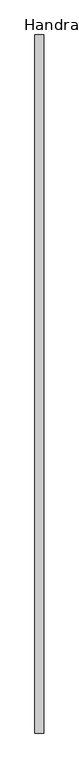
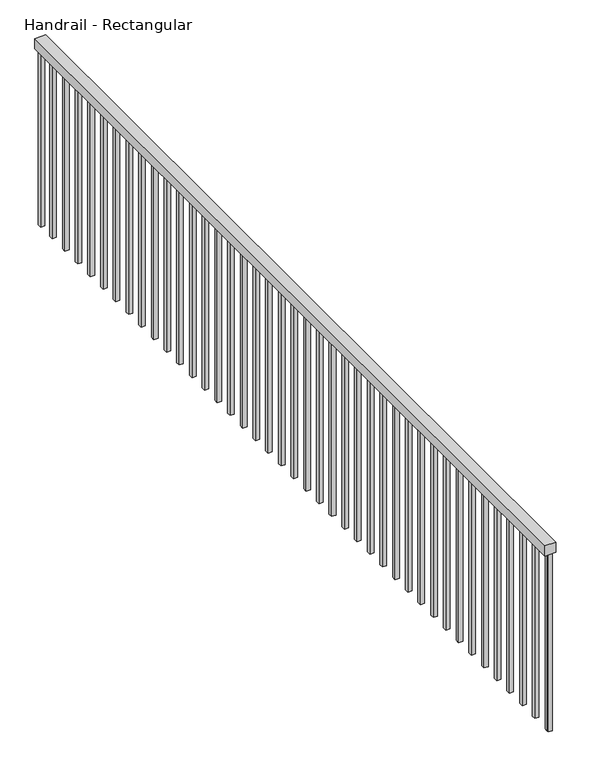
"""IFC4 building model written with IfcOpenShell, lengths in millimetres: railing geometry, Handrail - Rectangular."""

import ifcopenshell
import ifcopenshell.guid

model = None  # the IFC model being written
_history = None  # IfcOwnerHistory: only IFC2X3 demands one
_inside = {}  # id of a spatial element -> (the spatial element, [elements in it])
_under = {}  # id of a project, library or spatial element -> (it, [spatial elements below it])
_declared = {}  # id of a project -> (the project, [libraries it declares])
_typed = {}  # id of a type object -> (the type object, [elements of that type])
_made_of = {}  # id of a material, layer set ... -> (it, [elements and type objects made of it])


def new_model(schema):
    """Start an empty IFC model of exactly this schema.

    Asked for "IFC4X3", IfcOpenShell would pick the latest addendum, in which some entities
    have other attributes; the version numbers below select the first issue.
    IFC2X3 requires an IfcOwnerHistory on every rooted entity: one is made here for all.
    """
    global model, _history
    if schema == "IFC4X3":
        model = ifcopenshell.file(schema_version=(4, 3, 0, 0))
    else:
        model = ifcopenshell.file(schema=schema)
    _inside.clear()
    _under.clear()
    _declared.clear()
    _typed.clear()
    _made_of.clear()
    _history = None
    if model.schema == "IFC2X3":
        org = make("IfcOrganization", Name="unknown")
        user = make(
            "IfcPersonAndOrganization",
            ThePerson=make("IfcPerson", FamilyName="unknown"),
            TheOrganization=org,
        )
        app = make(
            "IfcApplication",
            ApplicationDeveloper=org,
            Version="unknown",
            ApplicationFullName="unknown",
            ApplicationIdentifier="unknown",
        )
        _history = make(
            "IfcOwnerHistory",
            OwningUser=user,
            OwningApplication=app,
            ChangeAction="ADDED",
            CreationDate=0,
        )
    return model


def make(cls, **values):
    """One entity of the class cls with the attributes given. An attribute that is None is left unset."""
    return model.create_entity(
        cls, **{name: value for name, value in values.items() if value is not None}
    )


def rooted(cls, **values):
    """An entity with a GlobalId (a new one), such as an element, a storey or a relation."""
    return make(cls, GlobalId=ifcopenshell.guid.new(), OwnerHistory=_history, **values)


def si_unit(unit_type, name, prefix=None):
    """IfcSIUnit, for example si_unit("LENGTHUNIT", "METRE", prefix="MILLI")."""
    return make("IfcSIUnit", UnitType=unit_type, Prefix=prefix, Name=name)


def assignment(units):
    """IfcUnitAssignment: the units of a project."""
    return None if units is None else make("IfcUnitAssignment", Units=units)


def point(xyz):
    """IfcCartesianPoint."""
    return None if xyz is None else make("IfcCartesianPoint", Coordinates=xyz)


def direction(xyz):
    """IfcDirection."""
    return None if xyz is None else make("IfcDirection", DirectionRatios=xyz)


def frame(location, z_axis=None, x_axis=None):
    """IfcAxis2Placement3D, a coordinate frame: its origin and axes. An axis left out is left unset."""
    return make(
        "IfcAxis2Placement3D",
        Location=point(location),
        Axis=direction(z_axis),
        RefDirection=direction(x_axis),
    )


def origin():
    """The frame at (0, 0, 0) with its axes left unset."""
    return frame((0.0, 0.0, 0.0))


def place(relative_to, where):
    """IfcLocalPlacement: puts the frame where relative to a parent placement (None: the world)."""
    return make(
        "IfcLocalPlacement", PlacementRelTo=relative_to, RelativePlacement=where
    )


def context(
    kind, dimensions, precision=None, world=None, true_north=None, identifier=None
):
    """IfcGeometricRepresentationContext, for example the 3D "Model" context."""
    return make(
        "IfcGeometricRepresentationContext",
        ContextIdentifier=identifier,
        ContextType=kind,
        CoordinateSpaceDimension=dimensions,
        Precision=precision,
        WorldCoordinateSystem=world,
        TrueNorth=true_north,
    )


def project(units=None, contexts=None):
    """IfcProject with its units and contexts."""
    return rooted(
        "IfcProject",
        Name="project",
        RepresentationContexts=contexts,
        UnitsInContext=assignment(units),
    )


def spatial(cls, under=None, at=None, **own):
    """A site, building, storey or space (cls), placed at a placement, below another one or the project."""
    s = rooted(cls, ObjectPlacement=at, **own)
    if under is not None:
        _under.setdefault(under.id(), (under, []))[1].append(s)
    return s


def polyline(points):
    """IfcPolyline through the points."""
    return make("IfcPolyline", Points=[point(p) for p in points])


def outline(outer, holes=None, kind="AREA"):
    """IfcArbitraryClosedProfileDef: a profile drawn as a closed curve; with holes, ...WithVoids."""
    if holes is None:
        return make("IfcArbitraryClosedProfileDef", ProfileType=kind, OuterCurve=outer)
    return make(
        "IfcArbitraryProfileDefWithVoids",
        ProfileType=kind,
        OuterCurve=outer,
        InnerCurves=holes,
    )


def extrude(swept, where, along, depth):
    """IfcExtrudedAreaSolid: the profile swept, set in the frame where, extruded along a direction by depth."""
    return make(
        "IfcExtrudedAreaSolid",
        SweptArea=swept,
        Position=where,
        ExtrudedDirection=direction(along),
        Depth=depth,
    )


def shape(context_of_items, identifier, shape_type, items):
    """IfcShapeRepresentation: the items that make up one representation, for example the "Body"."""
    return make(
        "IfcShapeRepresentation",
        ContextOfItems=context_of_items,
        RepresentationIdentifier=identifier,
        RepresentationType=shape_type,
        Items=items,
    )


def source(mapping_origin, context_of_items, identifier, shape_type, items):
    """IfcRepresentationMap: a shape defined once, which mapped items show again and again."""
    return make(
        "IfcRepresentationMap",
        MappingOrigin=mapping_origin,
        MappedRepresentation=shape(context_of_items, identifier, shape_type, items),
    )


def transform(
    local_origin,
    x_axis=None,
    y_axis=None,
    z_axis=None,
    scale=None,
    scale2=None,
    scale3=None,
    uniform=True,
):
    """IfcCartesianTransformationOperator3D, or its non-uniform kind. x_axis, y_axis, z_axis: its Axis1, 2, 3."""
    if uniform:
        return make(
            "IfcCartesianTransformationOperator3D",
            Axis1=direction(x_axis),
            Axis2=direction(y_axis),
            LocalOrigin=point(local_origin),
            Scale=scale,
            Axis3=direction(z_axis),
        )
    return make(
        "IfcCartesianTransformationOperator3DnonUniform",
        Axis1=direction(x_axis),
        Axis2=direction(y_axis),
        LocalOrigin=point(local_origin),
        Scale=scale,
        Axis3=direction(z_axis),
        Scale2=scale2,
        Scale3=scale3,
    )


def mapped(mapping_source, mapping_target):
    """IfcMappedItem: shows the shape of a source again, moved by a transform."""
    return make(
        "IfcMappedItem", MappingSource=mapping_source, MappingTarget=mapping_target
    )


def made_of(thing, what):
    """Note that an element or type object is made of a material, layer set ...; save() writes the relation."""
    if what is not None:
        _made_of.setdefault(what.id(), (what, []))[1].append(thing)
    return thing


def element(
    cls,
    number,
    at=None,
    inside=None,
    cuts=None,
    type_object=None,
    material=None,
    context=None,
    identifier="Body",
    shape_type=None,
    held_by="IfcProductDefinitionShape",
    body=None,
    shapes=None,
    **own,
):
    """One element of the class cls, such as IfcWall. Its Tag is "e" and its number.

    at: its placement. inside: the storey or other place that contains it. cuts: it is an
    opening in that element (IfcRelVoidsElement). A single representation is given by context,
    identifier, shape_type and body (its items); several are given by shapes. held_by: the class
    of the entity that holds the representations. save() writes the other relations.
    """
    e = rooted(cls, Tag="e%d" % number, ObjectPlacement=at, **own)
    if body is not None:
        shapes = [shape(context, identifier, shape_type, body)]
    if shapes is not None:
        e.Representation = make(held_by, Representations=shapes)
    if inside is not None:
        _inside.setdefault(inside.id(), (inside, []))[1].append(e)
    if cuts is not None:
        rooted(
            "IfcRelVoidsElement", RelatingBuildingElement=cuts, RelatedOpeningElement=e
        )
    if type_object is not None:
        _typed.setdefault(type_object.id(), (type_object, []))[1].append(e)
    return made_of(e, material)


def aggregate(whole, parts):
    """IfcRelAggregates: a whole, such as a stair, and the parts it consists of."""
    return rooted("IfcRelAggregates", RelatingObject=whole, RelatedObjects=parts)


def save(model, path):
    """Write the relations noted so far, then the file.

    IfcRelAggregates (storeys below a building ...), IfcRelContainedInSpatialStructure (elements
    in a storey), IfcRelDefinesByType, IfcRelAssociatesMaterial and IfcRelDeclares: one each for
    every whole, place, type object, material and project.
    """
    for whole, parts in _under.values():
        aggregate(whole, parts)
    for where, things in _inside.values():
        rooted(
            "IfcRelContainedInSpatialStructure",
            RelatedElements=things,
            RelatingStructure=where,
        )
    for kind, things in _typed.values():
        rooted("IfcRelDefinesByType", RelatedObjects=things, RelatingType=kind)
    for what, things in _made_of.values():
        rooted("IfcRelAssociatesMaterial", RelatedObjects=things, RelatingMaterial=what)
    for by, libraries in _declared.values():
        rooted("IfcRelDeclares", RelatingContext=by, RelatedDefinitions=libraries)
    model.write(path)


def handrail_rectangular_ebf03214(model_context):
    return source(origin(), model_context, "Body", "SweptSolid", [
        extrude(outline(polyline([(-6852.1924997, -3770.0529843), (-6801.3924997, -3770.0529843), (-6801.3924997, -7850.4529843), (-6852.1924997, -7850.4529843), (-6852.1924997, -3770.0529843)])), frame((0.0, 0.0, 1263.6), z_axis=(0.0, 0.0, 1.0), x_axis=(1.0, 0.0, 0.0)), (0.0, 0.0, 1.0), 50.8),
        extrude(outline(polyline([(-6836.3174997, -7824.5279843), (-6817.2674997, -7824.5279843), (-6817.2674997, -7843.5779843), (-6836.3174997, -7843.5779843), (-6836.3174997, -7824.5279843)])), frame((0.0, 0.0, 400.0), z_axis=(0.0, 0.0, 1.0), x_axis=(1.0, 0.0, 0.0)), (0.0, 0.0, 1.0), 863.6),
        extrude(outline(polyline([(-6836.3174997, -7722.9279843), (-6817.2674997, -7722.9279843), (-6817.2674997, -7741.9779843), (-6836.3174997, -7741.9779843), (-6836.3174997, -7722.9279843)])), frame((0.0, 0.0, 400.0), z_axis=(0.0, 0.0, 1.0), x_axis=(1.0, 0.0, 0.0)), (0.0, 0.0, 1.0), 863.6),
        extrude(outline(polyline([(-6836.3174997, -7621.3279843), (-6817.2674997, -7621.3279843), (-6817.2674997, -7640.3779843), (-6836.3174997, -7640.3779843), (-6836.3174997, -7621.3279843)])), frame((0.0, 0.0, 400.0), z_axis=(0.0, 0.0, 1.0), x_axis=(1.0, 0.0, 0.0)), (0.0, 0.0, 1.0), 863.6),
        extrude(outline(polyline([(-6836.3174997, -7519.7279843), (-6817.2674997, -7519.7279843), (-6817.2674997, -7538.7779843), (-6836.3174997, -7538.7779843), (-6836.3174997, -7519.7279843)])), frame((0.0, 0.0, 400.0), z_axis=(0.0, 0.0, 1.0), x_axis=(1.0, 0.0, 0.0)), (0.0, 0.0, 1.0), 863.6),
        extrude(outline(polyline([(-6836.3174997, -7418.1279843), (-6817.2674997, -7418.1279843), (-6817.2674997, -7437.1779843), (-6836.3174997, -7437.1779843), (-6836.3174997, -7418.1279843)])), frame((0.0, 0.0, 400.0), z_axis=(0.0, 0.0, 1.0), x_axis=(1.0, 0.0, 0.0)), (0.0, 0.0, 1.0), 863.6),
        extrude(outline(polyline([(-6836.3174997, -7316.5279843), (-6817.2674997, -7316.5279843), (-6817.2674997, -7335.5779843), (-6836.3174997, -7335.5779843), (-6836.3174997, -7316.5279843)])), frame((0.0, 0.0, 400.0), z_axis=(0.0, 0.0, 1.0), x_axis=(1.0, 0.0, 0.0)), (0.0, 0.0, 1.0), 863.6),
        extrude(outline(polyline([(-6836.3174997, -7214.9279843), (-6817.2674997, -7214.9279843), (-6817.2674997, -7233.9779843), (-6836.3174997, -7233.9779843), (-6836.3174997, -7214.9279843)])), frame((0.0, 0.0, 400.0), z_axis=(0.0, 0.0, 1.0), x_axis=(1.0, 0.0, 0.0)), (0.0, 0.0, 1.0), 863.6),
        extrude(outline(polyline([(-6836.3174997, -7113.3279843), (-6817.2674997, -7113.3279843), (-6817.2674997, -7132.3779843), (-6836.3174997, -7132.3779843), (-6836.3174997, -7113.3279843)])), frame((0.0, 0.0, 400.0), z_axis=(0.0, 0.0, 1.0), x_axis=(1.0, 0.0, 0.0)), (0.0, 0.0, 1.0), 863.6),
        extrude(outline(polyline([(-6836.3174997, -7011.7279843), (-6817.2674997, -7011.7279843), (-6817.2674997, -7030.7779843), (-6836.3174997, -7030.7779843), (-6836.3174997, -7011.7279843)])), frame((0.0, 0.0, 400.0), z_axis=(0.0, 0.0, 1.0), x_axis=(1.0, 0.0, 0.0)), (0.0, 0.0, 1.0), 863.6),
        extrude(outline(polyline([(-6836.3174997, -6910.1279843), (-6817.2674997, -6910.1279843), (-6817.2674997, -6929.1779843), (-6836.3174997, -6929.1779843), (-6836.3174997, -6910.1279843)])), frame((0.0, 0.0, 400.0), z_axis=(0.0, 0.0, 1.0), x_axis=(1.0, 0.0, 0.0)), (0.0, 0.0, 1.0), 863.6),
        extrude(outline(polyline([(-6836.3174997, -6808.5279843), (-6817.2674997, -6808.5279843), (-6817.2674997, -6827.5779843), (-6836.3174997, -6827.5779843), (-6836.3174997, -6808.5279843)])), frame((0.0, 0.0, 400.0), z_axis=(0.0, 0.0, 1.0), x_axis=(1.0, 0.0, 0.0)), (0.0, 0.0, 1.0), 863.6),
        extrude(outline(polyline([(-6836.3174997, -6706.9279843), (-6817.2674997, -6706.9279843), (-6817.2674997, -6725.9779843), (-6836.3174997, -6725.9779843), (-6836.3174997, -6706.9279843)])), frame((0.0, 0.0, 400.0), z_axis=(0.0, 0.0, 1.0), x_axis=(1.0, 0.0, 0.0)), (0.0, 0.0, 1.0), 863.6),
        extrude(outline(polyline([(-6836.3174997, -6605.3279843), (-6817.2674997, -6605.3279843), (-6817.2674997, -6624.3779843), (-6836.3174997, -6624.3779843), (-6836.3174997, -6605.3279843)])), frame((0.0, 0.0, 400.0), z_axis=(0.0, 0.0, 1.0), x_axis=(1.0, 0.0, 0.0)), (0.0, 0.0, 1.0), 863.6),
        extrude(outline(polyline([(-6836.3174997, -6503.7279843), (-6817.2674997, -6503.7279843), (-6817.2674997, -6522.7779843), (-6836.3174997, -6522.7779843), (-6836.3174997, -6503.7279843)])), frame((0.0, 0.0, 400.0), z_axis=(0.0, 0.0, 1.0), x_axis=(1.0, 0.0, 0.0)), (0.0, 0.0, 1.0), 863.6),
        extrude(outline(polyline([(-6836.3174997, -6402.1279843), (-6817.2674997, -6402.1279843), (-6817.2674997, -6421.1779843), (-6836.3174997, -6421.1779843), (-6836.3174997, -6402.1279843)])), frame((0.0, 0.0, 400.0), z_axis=(0.0, 0.0, 1.0), x_axis=(1.0, 0.0, 0.0)), (0.0, 0.0, 1.0), 863.6),
        extrude(outline(polyline([(-6836.3174997, -6300.5279843), (-6817.2674997, -6300.5279843), (-6817.2674997, -6319.5779843), (-6836.3174997, -6319.5779843), (-6836.3174997, -6300.5279843)])), frame((0.0, 0.0, 400.0), z_axis=(0.0, 0.0, 1.0), x_axis=(1.0, 0.0, 0.0)), (0.0, 0.0, 1.0), 863.6),
        extrude(outline(polyline([(-6836.3174997, -6198.9279843), (-6817.2674997, -6198.9279843), (-6817.2674997, -6217.9779843), (-6836.3174997, -6217.9779843), (-6836.3174997, -6198.9279843)])), frame((0.0, 0.0, 400.0), z_axis=(0.0, 0.0, 1.0), x_axis=(1.0, 0.0, 0.0)), (0.0, 0.0, 1.0), 863.6),
        extrude(outline(polyline([(-6836.3174997, -6097.3279843), (-6817.2674997, -6097.3279843), (-6817.2674997, -6116.3779843), (-6836.3174997, -6116.3779843), (-6836.3174997, -6097.3279843)])), frame((0.0, 0.0, 400.0), z_axis=(0.0, 0.0, 1.0), x_axis=(1.0, 0.0, 0.0)), (0.0, 0.0, 1.0), 863.6),
        extrude(outline(polyline([(-6836.3174997, -5995.7279843), (-6817.2674997, -5995.7279843), (-6817.2674997, -6014.7779843), (-6836.3174997, -6014.7779843), (-6836.3174997, -5995.7279843)])), frame((0.0, 0.0, 400.0), z_axis=(0.0, 0.0, 1.0), x_axis=(1.0, 0.0, 0.0)), (0.0, 0.0, 1.0), 863.6),
        extrude(outline(polyline([(-6836.3174997, -5894.1279843), (-6817.2674997, -5894.1279843), (-6817.2674997, -5913.1779843), (-6836.3174997, -5913.1779843), (-6836.3174997, -5894.1279843)])), frame((0.0, 0.0, 400.0), z_axis=(0.0, 0.0, 1.0), x_axis=(1.0, 0.0, 0.0)), (0.0, 0.0, 1.0), 863.6),
        extrude(outline(polyline([(-6836.3174997, -5792.5279843), (-6817.2674997, -5792.5279843), (-6817.2674997, -5811.5779843), (-6836.3174997, -5811.5779843), (-6836.3174997, -5792.5279843)])), frame((0.0, 0.0, 400.0), z_axis=(0.0, 0.0, 1.0), x_axis=(1.0, 0.0, 0.0)), (0.0, 0.0, 1.0), 863.6),
        extrude(outline(polyline([(-6836.3174997, -5690.9279843), (-6817.2674997, -5690.9279843), (-6817.2674997, -5709.9779843), (-6836.3174997, -5709.9779843), (-6836.3174997, -5690.9279843)])), frame((0.0, 0.0, 400.0), z_axis=(0.0, 0.0, 1.0), x_axis=(1.0, 0.0, 0.0)), (0.0, 0.0, 1.0), 863.6),
        extrude(outline(polyline([(-6836.3174997, -5589.3279843), (-6817.2674997, -5589.3279843), (-6817.2674997, -5608.3779843), (-6836.3174997, -5608.3779843), (-6836.3174997, -5589.3279843)])), frame((0.0, 0.0, 400.0), z_axis=(0.0, 0.0, 1.0), x_axis=(1.0, 0.0, 0.0)), (0.0, 0.0, 1.0), 863.6),
        extrude(outline(polyline([(-6836.3174997, -5487.7279843), (-6817.2674997, -5487.7279843), (-6817.2674997, -5506.7779843), (-6836.3174997, -5506.7779843), (-6836.3174997, -5487.7279843)])), frame((0.0, 0.0, 400.0), z_axis=(0.0, 0.0, 1.0), x_axis=(1.0, 0.0, 0.0)), (0.0, 0.0, 1.0), 863.6),
        extrude(outline(polyline([(-6836.3174997, -5386.1279843), (-6817.2674997, -5386.1279843), (-6817.2674997, -5405.1779843), (-6836.3174997, -5405.1779843), (-6836.3174997, -5386.1279843)])), frame((0.0, 0.0, 400.0), z_axis=(0.0, 0.0, 1.0), x_axis=(1.0, 0.0, 0.0)), (0.0, 0.0, 1.0), 863.6),
        extrude(outline(polyline([(-6836.3174997, -5284.5279843), (-6817.2674997, -5284.5279843), (-6817.2674997, -5303.5779843), (-6836.3174997, -5303.5779843), (-6836.3174997, -5284.5279843)])), frame((0.0, 0.0, 400.0), z_axis=(0.0, 0.0, 1.0), x_axis=(1.0, 0.0, 0.0)), (0.0, 0.0, 1.0), 863.6),
        extrude(outline(polyline([(-6836.3174997, -5182.9279843), (-6817.2674997, -5182.9279843), (-6817.2674997, -5201.9779843), (-6836.3174997, -5201.9779843), (-6836.3174997, -5182.9279843)])), frame((0.0, 0.0, 400.0), z_axis=(0.0, 0.0, 1.0), x_axis=(1.0, 0.0, 0.0)), (0.0, 0.0, 1.0), 863.6),
        extrude(outline(polyline([(-6836.3174997, -5081.3279843), (-6817.2674997, -5081.3279843), (-6817.2674997, -5100.3779843), (-6836.3174997, -5100.3779843), (-6836.3174997, -5081.3279843)])), frame((0.0, 0.0, 400.0), z_axis=(0.0, 0.0, 1.0), x_axis=(1.0, 0.0, 0.0)), (0.0, 0.0, 1.0), 863.6),
        extrude(outline(polyline([(-6836.3174997, -4979.7279843), (-6817.2674997, -4979.7279843), (-6817.2674997, -4998.7779843), (-6836.3174997, -4998.7779843), (-6836.3174997, -4979.7279843)])), frame((0.0, 0.0, 400.0), z_axis=(0.0, 0.0, 1.0), x_axis=(1.0, 0.0, 0.0)), (0.0, 0.0, 1.0), 863.6),
        extrude(outline(polyline([(-6836.3174997, -4878.1279843), (-6817.2674997, -4878.1279843), (-6817.2674997, -4897.1779843), (-6836.3174997, -4897.1779843), (-6836.3174997, -4878.1279843)])), frame((0.0, 0.0, 400.0), z_axis=(0.0, 0.0, 1.0), x_axis=(1.0, 0.0, 0.0)), (0.0, 0.0, 1.0), 863.6),
        extrude(outline(polyline([(-6836.3174997, -4776.5279843), (-6817.2674997, -4776.5279843), (-6817.2674997, -4795.5779843), (-6836.3174997, -4795.5779843), (-6836.3174997, -4776.5279843)])), frame((0.0, 0.0, 400.0), z_axis=(0.0, 0.0, 1.0), x_axis=(1.0, 0.0, 0.0)), (0.0, 0.0, 1.0), 863.6),
        extrude(outline(polyline([(-6836.3174997, -4674.9279843), (-6817.2674997, -4674.9279843), (-6817.2674997, -4693.9779843), (-6836.3174997, -4693.9779843), (-6836.3174997, -4674.9279843)])), frame((0.0, 0.0, 400.0), z_axis=(0.0, 0.0, 1.0), x_axis=(1.0, 0.0, 0.0)), (0.0, 0.0, 1.0), 863.6),
        extrude(outline(polyline([(-6836.3174997, -4573.3279843), (-6817.2674997, -4573.3279843), (-6817.2674997, -4592.3779843), (-6836.3174997, -4592.3779843), (-6836.3174997, -4573.3279843)])), frame((0.0, 0.0, 400.0), z_axis=(0.0, 0.0, 1.0), x_axis=(1.0, 0.0, 0.0)), (0.0, 0.0, 1.0), 863.6),
        extrude(outline(polyline([(-6836.3174997, -4471.7279843), (-6817.2674997, -4471.7279843), (-6817.2674997, -4490.7779843), (-6836.3174997, -4490.7779843), (-6836.3174997, -4471.7279843)])), frame((0.0, 0.0, 400.0), z_axis=(0.0, 0.0, 1.0), x_axis=(1.0, 0.0, 0.0)), (0.0, 0.0, 1.0), 863.6),
        extrude(outline(polyline([(-6836.3174997, -4370.1279843), (-6817.2674997, -4370.1279843), (-6817.2674997, -4389.1779843), (-6836.3174997, -4389.1779843), (-6836.3174997, -4370.1279843)])), frame((0.0, 0.0, 400.0), z_axis=(0.0, 0.0, 1.0), x_axis=(1.0, 0.0, 0.0)), (0.0, 0.0, 1.0), 863.6),
        extrude(outline(polyline([(-6836.3174997, -4268.5279843), (-6817.2674997, -4268.5279843), (-6817.2674997, -4287.5779843), (-6836.3174997, -4287.5779843), (-6836.3174997, -4268.5279843)])), frame((0.0, 0.0, 400.0), z_axis=(0.0, 0.0, 1.0), x_axis=(1.0, 0.0, 0.0)), (0.0, 0.0, 1.0), 863.6),
        extrude(outline(polyline([(-6836.3174997, -4166.9279843), (-6817.2674997, -4166.9279843), (-6817.2674997, -4185.9779843), (-6836.3174997, -4185.9779843), (-6836.3174997, -4166.9279843)])), frame((0.0, 0.0, 400.0), z_axis=(0.0, 0.0, 1.0), x_axis=(1.0, 0.0, 0.0)), (0.0, 0.0, 1.0), 863.6),
        extrude(outline(polyline([(-6836.3174997, -4065.3279843), (-6817.2674997, -4065.3279843), (-6817.2674997, -4084.3779843), (-6836.3174997, -4084.3779843), (-6836.3174997, -4065.3279843)])), frame((0.0, 0.0, 400.0), z_axis=(0.0, 0.0, 1.0), x_axis=(1.0, 0.0, 0.0)), (0.0, 0.0, 1.0), 863.6),
        extrude(outline(polyline([(-6836.3174997, -3963.7279843), (-6817.2674997, -3963.7279843), (-6817.2674997, -3982.7779843), (-6836.3174997, -3982.7779843), (-6836.3174997, -3963.7279843)])), frame((0.0, 0.0, 400.0), z_axis=(0.0, 0.0, 1.0), x_axis=(1.0, 0.0, 0.0)), (0.0, 0.0, 1.0), 863.6),
        extrude(outline(polyline([(-6836.3174997, -3862.1279843), (-6817.2674997, -3862.1279843), (-6817.2674997, -3881.1779843), (-6836.3174997, -3881.1779843), (-6836.3174997, -3862.1279843)])), frame((0.0, 0.0, 400.0), z_axis=(0.0, 0.0, 1.0), x_axis=(1.0, 0.0, 0.0)), (0.0, 0.0, 1.0), 863.6),
        extrude(outline(polyline([(-6836.3174997, -7831.4029843), (-6817.2674997, -7831.4029843), (-6817.2674997, -7850.4529843), (-6836.3174997, -7850.4529843), (-6836.3174997, -7831.4029843)])), frame((0.0, 0.0, 400.0), z_axis=(0.0, 0.0, 1.0), x_axis=(1.0, 0.0, 0.0)), (0.0, 0.0, 1.0), 863.6),
        extrude(outline(polyline([(-6836.3174997, -3770.0529843), (-6817.2674997, -3770.0529843), (-6817.2674997, -3789.1029843), (-6836.3174997, -3789.1029843), (-6836.3174997, -3770.0529843)])), frame((0.0, 0.0, 400.0), z_axis=(0.0, 0.0, 1.0), x_axis=(1.0, 0.0, 0.0)), (0.0, 0.0, 1.0), 863.6),
    ])


if __name__ == "__main__":
    model = new_model("IFC4")
    model_context = context("Model", 3, world=origin())
    ifc_project = project(units=[si_unit("LENGTHUNIT", "METRE", prefix="MILLI")], contexts=[model_context])
    site = spatial("IfcSite", under=ifc_project)
    building = spatial("IfcBuilding", under=site)
    placement = place(None, origin())
    handrail_rectangular_shape = handrail_rectangular_ebf03214(model_context)
    element("IfcRailing", 1, ObjectType="Handrail - Rectangular", at=placement, inside=building, context=model_context, shape_type="MappedRepresentation", body=[
        mapped(handrail_rectangular_shape, transform((0.0, 0.0, 0.0), x_axis=(1.0, 0.0, 0.0), y_axis=(0.0, 1.0, 0.0), z_axis=(0.0, 0.0, 1.0))),
    ])
    save(model, "model.ifc")
